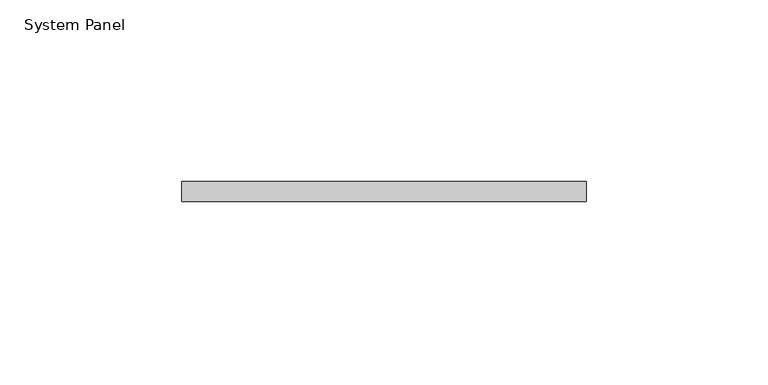
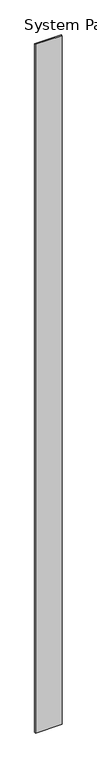
"""IFC4 building model written with IfcOpenShell, lengths in millimetres: plate geometry, System Panel."""

from ifc_helpers import new_model, si_unit, origin, origin_with_axes, place, context, project, spatial, polyline, outline, extrude, source, transform, mapped, element, save


def system_panel_bfd117f1(model_context):
    return source(origin(), model_context, "Body", "SweptSolid", [
        extrude(outline(polyline([(55.7104564, 7.9375), (-55.7104564, 7.9375), (-55.7104564, 13.49375), (55.7104564, 13.49375), (55.7104564, 7.9375)])), origin_with_axes(), (0.0, 0.0, 1.0), 3048.0),
    ])


if __name__ == "__main__":
    model = new_model("IFC4")
    model_context = context("Model", 3, world=origin())
    ifc_project = project(units=[si_unit("LENGTHUNIT", "METRE", prefix="MILLI")], contexts=[model_context])
    site = spatial("IfcSite", under=ifc_project)
    building = spatial("IfcBuilding", under=site)
    placement = place(None, origin())
    system_panel_shape = system_panel_bfd117f1(model_context)
    element("IfcPlate", 1, ObjectType="System Panel", at=placement, inside=building, context=model_context, shape_type="MappedRepresentation", body=[
        mapped(system_panel_shape, transform((0.0, 0.0, 0.0), x_axis=(1.0, 0.0, 0.0), y_axis=(0.0, 1.0, 0.0), z_axis=(0.0, 0.0, 1.0))),
    ])
    save(model, "model.ifc")
